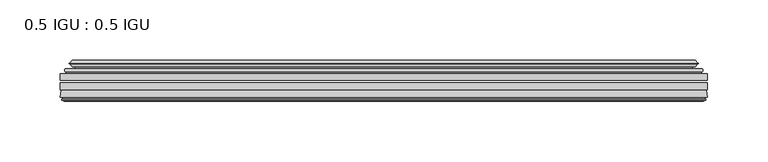
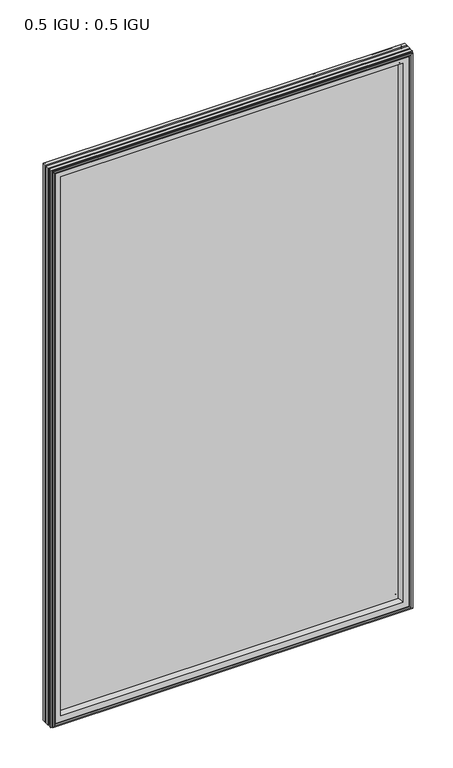
"""IFC4 building model written with IfcOpenShell, lengths in millimetres: plate geometry, 0.5 IGU : 0.5 IGU."""

from ifc_helpers import new_model, si_unit, frame, origin, place, context, project, spatial, polyline, ellipse_curve, outline, extrude, source, transform, mapped, element, save
from ifc_brep_helpers import plane_surface, cylinder_surface, revolved_surface, advanced_brep


def plate_0_5_igu_0_5_igu_e54527a9(model_context):
    return source(origin(), model_context, "Body", "SolidModel", [
        extrude(outline(polyline([(268.2858, -55.82285), (268.2858, -61.48705), (-268.271625, -61.48705), (-268.271625, -55.82285), (268.2858, -55.82285)])), frame((0.0, 0.0, -14.2875), z_axis=(0.0, 0.0, 1.0), x_axis=(1.0, 0.0, 0.0)), (0.0, 0.0, 1.0), 873.1287979),
        extrude(outline(polyline([(-268.271625, -69.05625), (-268.271625, -63.39205), (268.2858, -63.39205), (268.2858, -69.05625), (-268.271625, -69.05625)])), frame((0.0, 0.0, -14.2875), z_axis=(0.0, 0.0, 1.0), x_axis=(1.0, 0.0, 0.0)), (0.0, 0.0, 1.0), 873.1287979),
        advanced_brep(
        [(-264.1690876, -54.3724927, 854.7349626), (-263.1245628, -51.60645, 853.6904378), (-263.1245628, -51.60645, -9.1404378), (-264.1690876, -54.3724927, -10.1849626), (-262.532642, -55.82285, 853.098517), (-262.532642, -55.82285, -8.548517), (-253.984125, -45.63745, 844.55), (-250.4014011, -55.82285, 840.9672761), (-250.4014011, -55.82285, 3.5827239), (-253.984125, -45.63745, 0.0), (-259.1700359, -46.8185491, 849.7359109), (-259.1700359, -46.8185491, -5.1859109), (-258.3730143, -44.8183085, 848.9388893), (-258.3730143, -44.8183085, -4.3888893), (-260.6567361, -47.135817, 851.2226111), (-260.6567361, -47.135817, -6.6726111), (-260.6567361, -47.8489429, 851.2226111), (-260.6567361, -47.8489429, -6.6726111), (-258.3730143, -50.1664515, 848.9388893), (-258.3730143, -50.1664515, -4.3888893), (-259.1623751, -48.1854367, 849.7282501), (-259.1623751, -48.1854367, -5.1782501), (-256.6385629, -48.027045, 847.2044379), (-256.6385629, -48.027045, -2.6544379), (-255.6127467, -48.7147544, 846.1786217), (-255.6127467, -48.7147544, -1.6286217), (-255.7311538, -50.1092231, 846.2970288), (-255.7311538, -50.1092231, -1.7470288), (-256.3328998, -51.60645, 846.8987748), (-256.3328998, -51.60645, -2.3487748), (263.1245628, -51.60645, -9.1404378), (264.1690876, -54.3724927, -10.1849626), (262.532642, -55.82285, -8.548517), (250.4014011, -55.82285, 3.5827239), (253.984125, -45.63745, 0.0), (259.1700359, -46.8185491, -5.1859109), (258.3730143, -44.8183085, -4.3888893), (260.6567361, -47.135817, -6.6726111), (260.6567361, -47.8489429, -6.6726111), (258.3730143, -50.1664515, -4.3888893), (259.1623751, -48.1854367, -5.1782501), (256.6385629, -48.027045, -2.6544379), (255.6127467, -48.7147544, -1.6286217), (255.7311538, -50.1092231, -1.7470288), (256.3328998, -51.60645, -2.3487748), (263.1245628, -51.60645, 853.6904378), (264.1690876, -54.3724927, 854.7349626), (262.532642, -55.82285, 853.098517), (250.4014011, -55.82285, 840.9672761), (253.984125, -45.63745, 844.55), (259.1700359, -46.8185491, 849.7359109), (258.3730143, -44.8183085, 848.9388893), (260.6567361, -47.135817, 851.2226111), (260.6567361, -47.8489429, 851.2226111), (258.3730143, -50.1664515, 848.9388893), (259.1623751, -48.1854367, 849.7282501), (256.6385629, -48.027045, 847.2044379), (255.6127467, -48.7147544, 846.1786217), (255.7311538, -50.1092231, 846.2970288), (256.3328998, -51.60645, 846.8987748)],
        [
            (0, 1, ellipse_curve(frame((-263.1161953, -53.1898501, 853.6820703), z_axis=(-0.7071067811865475, 0.0, -0.7071067811865475), x_axis=(-0.7071067811865474, 0.0, 0.7071067811865476)), 2.2392971, 1.5834222)),
            (1, 2),
            (2, 3, ellipse_curve(frame((-263.1161953, -53.1898501, -9.1320703), z_axis=(-0.7071067811865475, 0.0, 0.7071067811865475), x_axis=(0.7071067811865474, 0.0, 0.7071067811865476)), 2.2392971, 1.5834222)),
            (3, 0),
            (4, 0),
            (3, 5),
            (5, 4),
            (6, 7, ellipse_curve(frame((-221.704371, -40.0058297, 812.270246), z_axis=(0.7071067811865475, 0.0, 0.7071067811865475), x_axis=(0.7071067811865474, 0.0, -0.7071067811865476)), 46.3399971, 32.7673262)),
            (7, 8),
            (8, 9, ellipse_curve(frame((-221.704371, -40.0058297, 32.279754), z_axis=(0.7071067811865475, 0.0, -0.7071067811865475), x_axis=(-0.7071067811865474, 0.0, -0.7071067811865476)), 46.3399971, 32.7673262)),
            (9, 6),
            (10, 6),
            (9, 11),
            (11, 10),
            (12, 10),
            (11, 13),
            (13, 12),
            (14, 12),
            (13, 15),
            (15, 14),
            (16, 14, ellipse_curve(frame((-260.2948979, -47.49238, 850.8607729), z_axis=(-0.7071067811865475, 0.0, -0.7071067811865475), x_axis=(-0.7071067811865474, 0.0, 0.7071067811865476)), 0.7184205, 0.508)),
            (15, 17, ellipse_curve(frame((-260.2948979, -47.49238, -6.3107729), z_axis=(-0.7071067811865475, 0.0, 0.7071067811865475), x_axis=(0.7071067811865474, 0.0, 0.7071067811865476)), 0.7184205, 0.508)),
            (17, 16),
            (18, 16),
            (17, 19),
            (19, 18),
            (20, 18),
            (19, 21),
            (21, 20),
            (22, 20),
            (21, 23),
            (23, 22),
            (24, 22, ellipse_curve(frame((-256.574925, -49.04105, 847.1408), z_axis=(0.7071067811865475, 0.0, 0.7071067811865475), x_axis=(0.7071067811865474, 0.0, -0.7071067811865476)), 1.436841, 1.016)),
            (23, 25, ellipse_curve(frame((-256.574925, -49.04105, -2.5908), z_axis=(0.7071067811865475, 0.0, -0.7071067811865475), x_axis=(-0.7071067811865474, 0.0, -0.7071067811865476)), 1.436841, 1.016)),
            (25, 24),
            (26, 24, ellipse_curve(frame((-257.946525, -49.21885, 848.5124), z_axis=(0.7071067811865475, 0.0, 0.7071067811865475), x_axis=(0.7071067811865474, 0.0, -0.7071067811865476)), 3.3765763, 2.3876)),
            (25, 27, ellipse_curve(frame((-257.946525, -49.21885, -3.9624), z_axis=(0.7071067811865475, 0.0, -0.7071067811865475), x_axis=(-0.7071067811865474, 0.0, -0.7071067811865476)), 3.3765763, 2.3876)),
            (27, 26),
            (28, 26),
            (27, 29),
            (29, 28),
            (2, 30),
            (30, 31, ellipse_curve(frame((263.1161953, -53.1898501, -9.1320703), z_axis=(-0.7071067811865475, 0.0, -0.7071067811865475), x_axis=(-0.7071067811865476, 0.0, 0.7071067811865474)), 2.2392971, 1.5834222)),
            (31, 3),
            (31, 32),
            (32, 5),
            (8, 33),
            (33, 34, ellipse_curve(frame((221.704371, -40.0058297, 32.279754), z_axis=(0.7071067811865475, 0.0, 0.7071067811865475), x_axis=(0.7071067811865476, 0.0, -0.7071067811865474)), 46.3399971, 32.7673262)),
            (34, 9),
            (34, 35),
            (35, 11),
            (35, 36),
            (36, 13),
            (36, 37),
            (37, 15),
            (37, 38, ellipse_curve(frame((260.2948979, -47.49238, -6.3107729), z_axis=(-0.7071067811865475, 0.0, -0.7071067811865475), x_axis=(-0.7071067811865476, 0.0, 0.7071067811865474)), 0.7184205, 0.508)),
            (38, 17),
            (38, 39),
            (39, 19),
            (39, 40),
            (40, 21),
            (40, 41),
            (41, 23),
            (41, 42, ellipse_curve(frame((256.574925, -49.04105, -2.5908), z_axis=(0.7071067811865475, 0.0, 0.7071067811865475), x_axis=(0.7071067811865476, 0.0, -0.7071067811865474)), 1.436841, 1.016)),
            (42, 25),
            (42, 43, ellipse_curve(frame((257.946525, -49.21885, -3.9624), z_axis=(0.7071067811865475, 0.0, 0.7071067811865475), x_axis=(0.7071067811865476, 0.0, -0.7071067811865474)), 3.3765763, 2.3876)),
            (43, 27),
            (43, 44),
            (44, 29),
            (30, 45),
            (45, 46, ellipse_curve(frame((263.1161953, -53.1898501, 853.6820703), z_axis=(0.7071067811865475, 0.0, -0.7071067811865475), x_axis=(-0.7071067811865474, 0.0, -0.7071067811865476)), 2.2392971, 1.5834222)),
            (46, 31),
            (46, 47),
            (47, 32),
            (33, 48),
            (48, 49, ellipse_curve(frame((221.704371, -40.0058297, 812.270246), z_axis=(-0.7071067811865475, 0.0, 0.7071067811865475), x_axis=(0.7071067811865474, 0.0, 0.7071067811865476)), 46.3399971, 32.7673262)),
            (49, 34),
            (49, 50),
            (50, 35),
            (50, 51),
            (51, 36),
            (51, 52),
            (52, 37),
            (52, 53, ellipse_curve(frame((260.2948979, -47.49238, 850.8607729), z_axis=(0.7071067811865475, 0.0, -0.7071067811865475), x_axis=(-0.7071067811865474, 0.0, -0.7071067811865476)), 0.7184205, 0.508)),
            (53, 38),
            (53, 54),
            (54, 39),
            (54, 55),
            (55, 40),
            (55, 56),
            (56, 41),
            (56, 57, ellipse_curve(frame((256.574925, -49.04105, 847.1408), z_axis=(-0.7071067811865475, 0.0, 0.7071067811865475), x_axis=(0.7071067811865474, 0.0, 0.7071067811865476)), 1.436841, 1.016)),
            (57, 42),
            (57, 58, ellipse_curve(frame((257.946525, -49.21885, 848.5124), z_axis=(-0.7071067811865475, 0.0, 0.7071067811865475), x_axis=(0.7071067811865474, 0.0, 0.7071067811865476)), 3.3765763, 2.3876)),
            (58, 43),
            (58, 59),
            (59, 44),
            (45, 1),
            (0, 46),
            (4, 47),
            (7, 48),
            (6, 49),
            (10, 50),
            (12, 51),
            (14, 52),
            (16, 53),
            (18, 54),
            (20, 55),
            (22, 56),
            (24, 57),
            (26, 58),
            (28, 59),
        ],
        [
            cylinder_surface(frame((-263.1161953, -53.1898501, 876.3), z_axis=(0.0, 0.0, 1.0), x_axis=(-1.0, 0.0, 0.0)), 1.5834222),
            plane_surface(frame((-264.1690876, -54.3724927, 854.7349626), z_axis=(-0.6632745773184306, -0.7483761320907135, 0.0), x_axis=(0.0, 0.0, -1.0))),
            revolved_surface(polyline([(-254.4716972, -40.0058297, -0.48757218957496207), (-254.4716972, -40.0058297, 845.037572189575)]), (-221.704371, -40.0058297, 876.3), (0.0, 0.0, -1.0)),
            plane_surface(frame((-253.984125, -45.63745, 844.55), z_axis=(-0.2220649844278743, 0.975031867525902, 0.0), x_axis=(0.0, 0.0, -1.0))),
            plane_surface(frame((-259.1700359, -46.8185491, 849.7359109), z_axis=(0.9289682685630282, -0.370159365683228, 0.0), x_axis=(0.0, 0.0, -1.0))),
            plane_surface(frame((-258.3730143, -44.8183085, 848.9388893), z_axis=(-0.7122798501733507, 0.7018955869907071, 0.0), x_axis=(0.0, 0.0, -1.0))),
            cylinder_surface(frame((-260.2948979, -47.49238, 876.3), z_axis=(0.0, 0.0, 1.0), x_axis=(-1.0, 0.0, 0.0)), 0.508),
            plane_surface(frame((-260.6567361, -47.8489429, 851.2226111), z_axis=(-0.7122798501732925, -0.701895586990766, 0.0), x_axis=(0.0, 0.0, -1.0))),
            plane_surface(frame((-258.3730143, -50.1664515, 848.9388893), z_axis=(0.9289682685628707, 0.3701593656836228, 0.0), x_axis=(0.0, 0.0, -1.0))),
            plane_surface(frame((-259.1623751, -48.1854367, 849.7282501), z_axis=(0.0626357011928498, -0.9980364567169279, 0.0), x_axis=(0.0, 0.0, -1.0))),
            revolved_surface(polyline([(-257.590925, -49.04105, -3.606800014586838), (-257.590925, -49.04105, 848.1568000145869)]), (-256.574925, -49.04105, 876.3), (0.0, 0.0, -1.0)),
            revolved_surface(polyline([(-260.33412500000003, -49.21885, -6.3499999989237494), (-260.33412500000003, -49.21885, 850.8999999989237)]), (-257.946525, -49.21885, 876.3), (0.0, 0.0, -1.0)),
            plane_surface(frame((-255.7311538, -50.1092231, 846.2970288), z_axis=(-0.9278652925428184, 0.3729155385532094, 0.0), x_axis=(0.0, 0.0, -1.0))),
            cylinder_surface(frame((-285.734125, -53.1898501, -9.1320703), z_axis=(-1.0, 0.0, 0.0), x_axis=(0.0, 0.0, -1.0)), 1.5834222),
            plane_surface(frame((-264.1690876, -54.3724927, -10.1849626), z_axis=(0.0, -0.7483761320907157, -0.6632745773184283), x_axis=(1.0, 0.0, 0.0))),
            revolved_surface(polyline([(254.47169718957497, -40.0058297, -0.48757220000000245), (-254.47169718957494, -40.0058297, -0.48757220000000245)]), (-285.734125, -40.0058297, 32.279754), (1.0, 0.0, 0.0)),
            plane_surface(frame((-253.984125, -45.63745, 0.0), z_axis=(0.0, 0.9750318675259013, -0.22206498442787745), x_axis=(1.0, 0.0, 0.0))),
            plane_surface(frame((-259.1700359, -46.8185491, -5.1859109), z_axis=(0.0, -0.370159365683225, 0.9289682685630294), x_axis=(1.0, 0.0, 0.0))),
            plane_surface(frame((-258.3730143, -44.8183085, -4.3888893), z_axis=(0.0, 0.7018955869907048, -0.7122798501733529), x_axis=(1.0, 0.0, 0.0))),
            cylinder_surface(frame((-285.734125, -47.49238, -6.3107729), z_axis=(-1.0, 0.0, 0.0), x_axis=(0.0, 0.0, -1.0)), 0.508),
            plane_surface(frame((-260.6567361, -47.8489429, -6.6726111), z_axis=(0.0, -0.7018955869907684, -0.7122798501732903), x_axis=(1.0, 0.0, 0.0))),
            plane_surface(frame((-258.3730143, -50.1664515, -4.3888893), z_axis=(0.0, 0.37015936568362584, 0.9289682685628696), x_axis=(1.0, 0.0, 0.0))),
            plane_surface(frame((-259.1623751, -48.1854367, -5.1782501), z_axis=(0.0, -0.9980364567169276, 0.06263570119285301), x_axis=(1.0, 0.0, 0.0))),
            revolved_surface(polyline([(257.59092501458696, -49.04105, -3.6068000000000002), (-257.59092501458684, -49.04105, -3.6068000000000002)]), (-285.734125, -49.04105, -2.5908), (1.0, 0.0, 0.0)),
            revolved_surface(polyline([(260.33412499892376, -49.21885, -6.35), (-260.3341249989238, -49.21885, -6.35)]), (-285.734125, -49.21885, -3.9624), (1.0, 0.0, 0.0)),
            plane_surface(frame((-255.7311538, -50.1092231, -1.7470288), z_axis=(0.0, 0.3729155385532064, -0.9278652925428196), x_axis=(1.0, 0.0, 0.0))),
            cylinder_surface(frame((263.1161953, -53.1898501, -31.75), z_axis=(0.0, 0.0, -1.0), x_axis=(1.0, 0.0, 0.0)), 1.5834222),
            plane_surface(frame((264.1690876, -54.3724927, -10.1849626), z_axis=(0.6632745773184259, -0.7483761320907178, 0.0), x_axis=(0.0, 0.0, 1.0))),
            revolved_surface(polyline([(254.4716972, -40.0058297, 845.037572189575), (254.4716972, -40.0058297, -0.48757218957494075)]), (221.704371, -40.0058297, -31.75), (0.0, 0.0, 1.0)),
            plane_surface(frame((253.984125, -45.63745, 0.0), z_axis=(0.22206498442788056, 0.9750318675259005, 0.0), x_axis=(0.0, 0.0, 1.0))),
            plane_surface(frame((259.1700359, -46.8185491, -5.1859109), z_axis=(-0.9289682685630306, -0.370159365683222, 0.0), x_axis=(0.0, 0.0, 1.0))),
            plane_surface(frame((258.3730143, -44.8183085, -4.3888893), z_axis=(0.7122798501733552, 0.7018955869907024, 0.0), x_axis=(0.0, 0.0, 1.0))),
            cylinder_surface(frame((260.2948979, -47.49238, -31.75), z_axis=(0.0, 0.0, -1.0), x_axis=(1.0, 0.0, 0.0)), 0.508),
            plane_surface(frame((260.6567361, -47.8489429, -6.6726111), z_axis=(0.712279850173288, -0.7018955869907706, 0.0), x_axis=(0.0, 0.0, 1.0))),
            plane_surface(frame((258.3730143, -50.1664515, -4.3888893), z_axis=(-0.9289682685628684, 0.37015936568362884, 0.0), x_axis=(0.0, 0.0, 1.0))),
            plane_surface(frame((259.1623751, -48.1854367, -5.1782501), z_axis=(-0.06263570119285623, -0.9980364567169274, 0.0), x_axis=(0.0, 0.0, 1.0))),
            revolved_surface(polyline([(257.590925, -49.04105, 848.1568000145869), (257.590925, -49.04105, -3.606800014586863)]), (256.574925, -49.04105, -31.75), (0.0, 0.0, 1.0)),
            revolved_surface(polyline([(260.33412500000003, -49.21885, 850.8999999989237), (260.33412500000003, -49.21885, -6.349999998923781)]), (257.946525, -49.21885, -31.75), (0.0, 0.0, 1.0)),
            plane_surface(frame((255.7311538, -50.1092231, -1.7470288), z_axis=(0.9278652925428208, 0.3729155385532034, 0.0), x_axis=(0.0, 0.0, 1.0))),
            cylinder_surface(frame((285.734125, -53.1898501, 853.6820703), z_axis=(1.0, 0.0, 0.0), x_axis=(0.0, 0.0, 1.0)), 1.5834222),
            plane_surface(frame((264.1690876, -54.3724927, 854.7349626), z_axis=(0.0, -0.7483761320907157, 0.6632745773184283), x_axis=(-1.0, 0.0, 0.0))),
            plane_surface(frame((262.532642, -55.82285, 853.098517), z_axis=(0.0, -1.0, 0.0), x_axis=(-1.0, 0.0, 0.0))),
            revolved_surface(polyline([(-254.47169718957497, -40.0058297, 845.0375722), (254.47169718957494, -40.0058297, 845.0375722)]), (285.734125, -40.0058297, 812.270246), (-1.0, 0.0, 0.0)),
            plane_surface(frame((253.984125, -45.63745, 844.55), z_axis=(0.0, 0.9750318675259012, 0.22206498442787742), x_axis=(-1.0, 0.0, 0.0))),
            plane_surface(frame((259.1700359, -46.8185491, 849.7359109), z_axis=(0.0, -0.370159365683225, -0.9289682685630294), x_axis=(-1.0, 0.0, 0.0))),
            plane_surface(frame((258.3730143, -44.8183085, 848.9388893), z_axis=(0.0, 0.7018955869907048, 0.7122798501733529), x_axis=(-1.0, 0.0, 0.0))),
            cylinder_surface(frame((285.734125, -47.49238, 850.8607729), z_axis=(1.0, 0.0, 0.0), x_axis=(0.0, 0.0, 1.0)), 0.508),
            plane_surface(frame((260.6567361, -47.8489429, 851.2226111), z_axis=(0.0, -0.7018955869907684, 0.7122798501732903), x_axis=(-1.0, 0.0, 0.0))),
            plane_surface(frame((258.3730143, -50.1664515, 848.9388893), z_axis=(0.0, 0.37015936568362584, -0.9289682685628696), x_axis=(-1.0, 0.0, 0.0))),
            plane_surface(frame((259.1623751, -48.1854367, 849.7282501), z_axis=(0.0, -0.9980364567169276, -0.06263570119285301), x_axis=(-1.0, 0.0, 0.0))),
            revolved_surface(polyline([(-257.59092501458696, -49.04105, 848.1568), (257.59092501458684, -49.04105, 848.1568)]), (285.734125, -49.04105, 847.1408), (-1.0, 0.0, 0.0)),
            revolved_surface(polyline([(-260.33412499892376, -49.21885, 850.9), (260.3341249989238, -49.21885, 850.9)]), (285.734125, -49.21885, 848.5124), (-1.0, 0.0, 0.0)),
            plane_surface(frame((255.7311538, -50.1092231, 846.2970288), z_axis=(0.0, 0.3729155385532064, 0.9278652925428196), x_axis=(-1.0, 0.0, 0.0))),
            plane_surface(frame((256.3328998, -51.60645, 846.8987748), z_axis=(0.0, 1.0, 0.0), x_axis=(-1.0, 0.0, 0.0))),
        ],
        [
            (0, [[1, 2, 3, 4]]),
            (1, [[5, -4, 6, 7]]),
            (2, [[8, 9, 10, 11]]),
            (3, [[12, -11, 13, 14]]),
            (4, [[15, -14, 16, 17]]),
            (5, [[18, -17, 19, 20]]),
            (6, [[21, -20, 22, 23]]),
            (7, [[24, -23, 25, 26]]),
            (8, [[27, -26, 28, 29]]),
            (9, [[30, -29, 31, 32]]),
            (10, [[33, -32, 34, 35]]),
            (11, [[36, -35, 37, 38]]),
            (12, [[39, -38, 40, 41]]),
            (13, [[-3, 42, 43, 44]]),
            (14, [[-6, -44, 45, 46]]),
            (15, [[-10, 47, 48, 49]]),
            (16, [[-13, -49, 50, 51]]),
            (17, [[-16, -51, 52, 53]]),
            (18, [[-19, -53, 54, 55]]),
            (19, [[-22, -55, 56, 57]]),
            (20, [[-25, -57, 58, 59]]),
            (21, [[-28, -59, 60, 61]]),
            (22, [[-31, -61, 62, 63]]),
            (23, [[-34, -63, 64, 65]]),
            (24, [[-37, -65, 66, 67]]),
            (25, [[-40, -67, 68, 69]]),
            (26, [[-43, 70, 71, 72]]),
            (27, [[-45, -72, 73, 74]]),
            (28, [[-48, 75, 76, 77]]),
            (29, [[-50, -77, 78, 79]]),
            (30, [[-52, -79, 80, 81]]),
            (31, [[-54, -81, 82, 83]]),
            (32, [[-56, -83, 84, 85]]),
            (33, [[-58, -85, 86, 87]]),
            (34, [[-60, -87, 88, 89]]),
            (35, [[-62, -89, 90, 91]]),
            (36, [[-64, -91, 92, 93]]),
            (37, [[-66, -93, 94, 95]]),
            (38, [[-68, -95, 96, 97]]),
            (39, [[-71, 98, -1, 99]]),
            (40, [[-73, -99, -5, 100]]),
            (41, [[-46, -74, -100, -7], [101, -75, -47, -9]]),
            (42, [[-76, -101, -8, 102]]),
            (43, [[-78, -102, -12, 103]]),
            (44, [[-80, -103, -15, 104]]),
            (45, [[-82, -104, -18, 105]]),
            (46, [[-84, -105, -21, 106]]),
            (47, [[-86, -106, -24, 107]]),
            (48, [[-88, -107, -27, 108]]),
            (49, [[-90, -108, -30, 109]]),
            (50, [[-92, -109, -33, 110]]),
            (51, [[-94, -110, -36, 111]]),
            (52, [[-96, -111, -39, 112]]),
            (53, [[-98, -70, -42, -2], [-69, -97, -112, -41]]),
        ],
    ),
        advanced_brep(
        [(-268.284325, -75.40625, 858.8502), (-267.5895412, -69.7476901, 858.1554162), (-267.5895412, -69.7476901, -13.6054162), (-268.284325, -75.40625, -14.3002), (-265.896725, -77.3973143, 856.4626), (-266.353925, -75.40625, 856.9198), (-266.353925, -75.40625, -12.3698), (-265.896725, -77.3973143, -11.9126), (-266.8980869, -77.1290001, 857.4639619), (-266.8980869, -77.1290001, -12.9139619), (-267.141325, -78.0367772, 857.7072), (-267.141325, -78.0367772, -13.1572), (-265.109325, -78.58125, 855.6752), (-265.109325, -78.58125, -11.1252), (-263.077325, -78.0367772, 853.6432), (-263.077325, -78.0367772, -9.0932), (-263.3205631, -77.1290001, 853.8864381), (-263.3205631, -77.1290001, -9.3364381), (-264.321925, -77.3973143, 854.8878), (-264.321925, -77.3973143, -10.3378), (-263.864725, -75.40625, 854.4306), (-263.864725, -75.40625, -9.8806), (-250.3946619, -69.05625, 840.9605369), (-253.984125, -75.40625, 844.55), (-253.984125, -75.40625, 0.0), (-250.3946619, -69.05625, 3.5894631), (-266.8080104, -69.05625, 857.3738854), (-266.8080104, -69.05625, -12.8238854), (267.5895412, -69.7476901, -13.6054162), (268.284325, -75.40625, -14.3002), (266.353925, -75.40625, -12.3698), (265.896725, -77.3973143, -11.9126), (266.8980869, -77.1290001, -12.9139619), (267.141325, -78.0367772, -13.1572), (265.109325, -78.58125, -11.1252), (263.077325, -78.0367772, -9.0932), (263.3205631, -77.1290001, -9.3364381), (264.321925, -77.3973143, -10.3378), (263.864725, -75.40625, -9.8806), (253.984125, -75.40625, 0.0), (250.3946619, -69.05625, 3.5894631), (266.8080104, -69.05625, -12.8238854), (267.5895412, -69.7476901, 858.1554162), (268.284325, -75.40625, 858.8502), (266.353925, -75.40625, 856.9198), (265.896725, -77.3973143, 856.4626), (266.8980869, -77.1290001, 857.4639619), (267.141325, -78.0367772, 857.7072), (265.109325, -78.58125, 855.6752), (263.077325, -78.0367772, 853.6432), (263.3205631, -77.1290001, 853.8864381), (264.321925, -77.3973143, 854.8878), (263.864725, -75.40625, 854.4306), (253.984125, -75.40625, 844.55), (250.3946619, -69.05625, 840.9605369), (266.8080104, -69.05625, 857.3738854)],
        [
            (0, 1),
            (1, 2),
            (2, 3),
            (3, 0),
            (4, 5),
            (5, 6),
            (6, 7),
            (7, 4),
            (8, 4),
            (7, 9),
            (9, 8),
            (10, 8),
            (9, 11),
            (11, 10),
            (12, 10),
            (11, 13),
            (13, 12),
            (14, 12),
            (13, 15),
            (15, 14),
            (16, 14),
            (15, 17),
            (17, 16),
            (18, 16),
            (17, 19),
            (19, 18),
            (20, 18),
            (19, 21),
            (21, 20),
            (22, 23, ellipse_curve(frame((-245.5078364, -76.0081323, 836.0737114), z_axis=(0.7071067811865475, 0.0, 0.7071067811865475), x_axis=(0.7071067811865474, 0.0, -0.7071067811865476)), 12.0174649, 8.4976309)),
            (23, 24),
            (24, 25, ellipse_curve(frame((-245.5078364, -76.0081323, 8.4762886), z_axis=(0.7071067811865475, 0.0, -0.7071067811865475), x_axis=(-0.7071067811865474, 0.0, -0.7071067811865476)), 12.0174649, 8.4976309)),
            (25, 22),
            (1, 26, ellipse_curve(frame((-266.8080104, -69.84365, 857.3738854), z_axis=(-0.7071067811865475, 0.0, -0.7071067811865475), x_axis=(-0.7071067811865474, 0.0, 0.7071067811865476)), 1.1135518, 0.7874)),
            (26, 27),
            (27, 2, ellipse_curve(frame((-266.8080104, -69.84365, -12.8238854), z_axis=(-0.7071067811865475, 0.0, 0.7071067811865475), x_axis=(0.7071067811865474, 0.0, 0.7071067811865476)), 1.1135518, 0.7874)),
            (2, 28),
            (28, 29),
            (29, 3),
            (6, 30),
            (30, 31),
            (31, 7),
            (31, 32),
            (32, 9),
            (32, 33),
            (33, 11),
            (33, 34),
            (34, 13),
            (34, 35),
            (35, 15),
            (35, 36),
            (36, 17),
            (36, 37),
            (37, 19),
            (37, 38),
            (38, 21),
            (24, 39),
            (39, 40, ellipse_curve(frame((245.5078364, -76.0081323, 8.4762886), z_axis=(0.7071067811865475, 0.0, 0.7071067811865475), x_axis=(0.7071067811865476, 0.0, -0.7071067811865474)), 12.0174649, 8.4976309)),
            (40, 25),
            (27, 41),
            (41, 28, ellipse_curve(frame((266.8080104, -69.84365, -12.8238854), z_axis=(-0.7071067811865475, 0.0, -0.7071067811865475), x_axis=(-0.7071067811865476, 0.0, 0.7071067811865474)), 1.1135518, 0.7874)),
            (28, 42),
            (42, 43),
            (43, 29),
            (30, 44),
            (44, 45),
            (45, 31),
            (45, 46),
            (46, 32),
            (46, 47),
            (47, 33),
            (47, 48),
            (48, 34),
            (48, 49),
            (49, 35),
            (49, 50),
            (50, 36),
            (50, 51),
            (51, 37),
            (51, 52),
            (52, 38),
            (39, 53),
            (53, 54, ellipse_curve(frame((245.5078364, -76.0081323, 836.0737114), z_axis=(-0.7071067811865475, 0.0, 0.7071067811865475), x_axis=(0.7071067811865474, 0.0, 0.7071067811865476)), 12.0174649, 8.4976309)),
            (54, 40),
            (41, 55),
            (55, 42, ellipse_curve(frame((266.8080104, -69.84365, 857.3738854), z_axis=(0.7071067811865475, 0.0, -0.7071067811865475), x_axis=(-0.7071067811865474, 0.0, -0.7071067811865476)), 1.1135518, 0.7874)),
            (42, 1),
            (0, 43),
            (5, 44),
            (4, 45),
            (8, 46),
            (10, 47),
            (12, 48),
            (14, 49),
            (16, 50),
            (18, 51),
            (20, 52),
            (23, 53),
            (22, 54),
            (26, 55),
        ],
        [
            plane_surface(frame((-267.5895412, -69.7476901, 858.1554162), z_axis=(-0.992546151641325, 0.12186934340512405, 0.0), x_axis=(0.0, 0.0, -1.0))),
            plane_surface(frame((-266.353925, -75.40625, 856.9198), z_axis=(-0.9746347637895902, -0.22380142361658398, 0.0), x_axis=(0.0, 0.0, -1.0))),
            plane_surface(frame((-265.896725, -77.3973143, 856.4626), z_axis=(0.2588190451026526, 0.965925826289033, 0.0), x_axis=(0.0, 0.0, -1.0))),
            plane_surface(frame((-266.8980869, -77.1290001, 857.4639619), z_axis=(-0.9659258262890449, 0.2588190451026083, 0.0), x_axis=(0.0, 0.0, -1.0))),
            plane_surface(frame((-267.141325, -78.0367772, 857.7072), z_axis=(-0.2588190451024403, -0.96592582628909, 0.0), x_axis=(0.0, 0.0, -1.0))),
            plane_surface(frame((-265.109325, -78.58125, 855.6752), z_axis=(0.2588190451025434, -0.9659258262890623, 0.0), x_axis=(0.0, 0.0, -1.0))),
            plane_surface(frame((-263.077325, -78.0367772, 853.6432), z_axis=(0.9659258262891713, 0.25881904510213655, 0.0), x_axis=(0.0, 0.0, -1.0))),
            plane_surface(frame((-263.3205631, -77.1290001, 853.8864381), z_axis=(-0.25881904510234177, 0.9659258262891163, 0.0), x_axis=(0.0, 0.0, -1.0))),
            plane_surface(frame((-264.321925, -77.3973143, 854.8878), z_axis=(0.9746347637895849, -0.22380142361660743, 0.0), x_axis=(0.0, 0.0, -1.0))),
            revolved_surface(polyline([(-254.0054673, -76.0081323, -0.02134232346134013), (-254.0054673, -76.0081323, 844.5713423234613)]), (-245.5078364, -76.0081323, 876.3), (0.0, 0.0, -1.0)),
            cylinder_surface(frame((-266.8080104, -69.84365, 876.3), z_axis=(0.0, 0.0, 1.0), x_axis=(-1.0, 0.0, 0.0)), 0.7874),
            plane_surface(frame((-267.5895412, -69.7476901, -13.6054162), z_axis=(0.0, 0.12186934340512084, -0.9925461516413254), x_axis=(1.0, 0.0, 0.0))),
            plane_surface(frame((-266.353925, -75.40625, -12.3698), z_axis=(0.0, -0.22380142361658714, -0.9746347637895896), x_axis=(1.0, 0.0, 0.0))),
            plane_surface(frame((-265.896725, -77.3973143, -11.9126), z_axis=(0.0, 0.9659258262890339, 0.25881904510264947), x_axis=(1.0, 0.0, 0.0))),
            plane_surface(frame((-266.8980869, -77.1290001, -12.9139619), z_axis=(0.0, 0.25881904510260517, -0.9659258262890458), x_axis=(1.0, 0.0, 0.0))),
            plane_surface(frame((-267.141325, -78.0367772, -13.1572), z_axis=(0.0, -0.9659258262890907, -0.25881904510243714), x_axis=(1.0, 0.0, 0.0))),
            plane_surface(frame((-265.109325, -78.58125, -11.1252), z_axis=(0.0, -0.9659258262890614, 0.2588190451025465), x_axis=(1.0, 0.0, 0.0))),
            plane_surface(frame((-263.077325, -78.0367772, -9.0932), z_axis=(0.0, 0.25881904510213966, 0.9659258262891705), x_axis=(1.0, 0.0, 0.0))),
            plane_surface(frame((-263.3205631, -77.1290001, -9.3364381), z_axis=(0.0, 0.9659258262891154, -0.2588190451023449), x_axis=(1.0, 0.0, 0.0))),
            plane_surface(frame((-264.321925, -77.3973143, -10.3378), z_axis=(0.0, -0.2238014236166043, 0.9746347637895857), x_axis=(1.0, 0.0, 0.0))),
            revolved_surface(polyline([(254.00546732346135, -76.0081323, -0.02134230000000059), (-254.00546732346132, -76.0081323, -0.02134230000000059)]), (-285.734125, -76.0081323, 8.4762886), (1.0, 0.0, 0.0)),
            cylinder_surface(frame((-285.734125, -69.84365, -12.8238854), z_axis=(-1.0, 0.0, 0.0), x_axis=(0.0, 0.0, -1.0)), 0.7874),
            plane_surface(frame((267.5895412, -69.7476901, -13.6054162), z_axis=(0.9925461516413259, 0.12186934340511764, 0.0), x_axis=(0.0, 0.0, 1.0))),
            plane_surface(frame((266.353925, -75.40625, -12.3698), z_axis=(0.9746347637895888, -0.22380142361659028, 0.0), x_axis=(0.0, 0.0, 1.0))),
            plane_surface(frame((265.896725, -77.3973143, -11.9126), z_axis=(-0.25881904510264636, 0.9659258262890348, 0.0), x_axis=(0.0, 0.0, 1.0))),
            plane_surface(frame((266.8980869, -77.1290001, -12.9139619), z_axis=(0.9659258262890467, 0.25881904510260206, 0.0), x_axis=(0.0, 0.0, 1.0))),
            plane_surface(frame((267.141325, -78.0367772, -13.1572), z_axis=(0.25881904510243403, -0.9659258262890916, 0.0), x_axis=(0.0, 0.0, 1.0))),
            plane_surface(frame((265.109325, -78.58125, -11.1252), z_axis=(-0.25881904510254966, -0.9659258262890607, 0.0), x_axis=(0.0, 0.0, 1.0))),
            plane_surface(frame((263.077325, -78.0367772, -9.0932), z_axis=(-0.9659258262891696, 0.25881904510214276, 0.0), x_axis=(0.0, 0.0, 1.0))),
            plane_surface(frame((263.3205631, -77.1290001, -9.3364381), z_axis=(0.25881904510234804, 0.9659258262891146, 0.0), x_axis=(0.0, 0.0, 1.0))),
            plane_surface(frame((264.321925, -77.3973143, -10.3378), z_axis=(-0.9746347637895864, -0.22380142361660113, 0.0), x_axis=(0.0, 0.0, 1.0))),
            revolved_surface(polyline([(254.0054673, -76.0081323, 844.5713423234613), (254.0054673, -76.0081323, -0.021342323461311707)]), (245.5078364, -76.0081323, -31.75), (0.0, 0.0, 1.0)),
            cylinder_surface(frame((266.8080104, -69.84365, -31.75), z_axis=(0.0, 0.0, -1.0), x_axis=(1.0, 0.0, 0.0)), 0.7874),
            plane_surface(frame((267.5895412, -69.7476901, 858.1554162), z_axis=(0.0, 0.12186934340512084, 0.9925461516413254), x_axis=(-1.0, 0.0, 0.0))),
            plane_surface(frame((268.284325, -75.40625, 858.8502), z_axis=(0.0, -1.0, 0.0), x_axis=(-1.0, 0.0, 0.0))),
            plane_surface(frame((266.353925, -75.40625, 856.9198), z_axis=(0.0, -0.22380142361658714, 0.9746347637895896), x_axis=(-1.0, 0.0, 0.0))),
            plane_surface(frame((265.896725, -77.3973143, 856.4626), z_axis=(0.0, 0.9659258262890339, -0.25881904510264947), x_axis=(-1.0, 0.0, 0.0))),
            plane_surface(frame((266.8980869, -77.1290001, 857.4639619), z_axis=(0.0, 0.25881904510260517, 0.9659258262890458), x_axis=(-1.0, 0.0, 0.0))),
            plane_surface(frame((267.141325, -78.0367772, 857.7072), z_axis=(0.0, -0.9659258262890907, 0.25881904510243714), x_axis=(-1.0, 0.0, 0.0))),
            plane_surface(frame((265.109325, -78.58125, 855.6752), z_axis=(0.0, -0.9659258262890614, -0.25881904510254655), x_axis=(-1.0, 0.0, 0.0))),
            plane_surface(frame((263.077325, -78.0367772, 853.6432), z_axis=(0.0, 0.25881904510213966, -0.9659258262891705), x_axis=(-1.0, 0.0, 0.0))),
            plane_surface(frame((263.3205631, -77.1290001, 853.8864381), z_axis=(0.0, 0.9659258262891155, 0.25881904510234494), x_axis=(-1.0, 0.0, 0.0))),
            plane_surface(frame((264.321925, -77.3973143, 854.8878), z_axis=(0.0, -0.22380142361660427, -0.9746347637895856), x_axis=(-1.0, 0.0, 0.0))),
            plane_surface(frame((263.864725, -75.40625, 854.4306), z_axis=(0.0, -1.0, 0.0), x_axis=(-1.0, 0.0, 0.0))),
            revolved_surface(polyline([(-254.00546732346135, -76.0081323, 844.5713423), (254.00546732346132, -76.0081323, 844.5713423)]), (285.734125, -76.0081323, 836.0737114), (-1.0, 0.0, 0.0)),
            plane_surface(frame((250.3946619, -69.05625, 840.9605369), z_axis=(0.0, 1.0, 0.0), x_axis=(-1.0, 0.0, 0.0))),
            cylinder_surface(frame((285.734125, -69.84365, 857.3738854), z_axis=(1.0, 0.0, 0.0), x_axis=(0.0, 0.0, 1.0)), 0.7874),
        ],
        [
            (0, [[1, 2, 3, 4]]),
            (1, [[5, 6, 7, 8]]),
            (2, [[9, -8, 10, 11]]),
            (3, [[12, -11, 13, 14]]),
            (4, [[15, -14, 16, 17]]),
            (5, [[18, -17, 19, 20]]),
            (6, [[21, -20, 22, 23]]),
            (7, [[24, -23, 25, 26]]),
            (8, [[27, -26, 28, 29]]),
            (9, [[30, 31, 32, 33]]),
            (10, [[34, 35, 36, -2]]),
            (11, [[-3, 37, 38, 39]]),
            (12, [[-7, 40, 41, 42]]),
            (13, [[-10, -42, 43, 44]]),
            (14, [[-13, -44, 45, 46]]),
            (15, [[-16, -46, 47, 48]]),
            (16, [[-19, -48, 49, 50]]),
            (17, [[-22, -50, 51, 52]]),
            (18, [[-25, -52, 53, 54]]),
            (19, [[-28, -54, 55, 56]]),
            (20, [[-32, 57, 58, 59]]),
            (21, [[-36, 60, 61, -37]]),
            (22, [[-38, 62, 63, 64]]),
            (23, [[-41, 65, 66, 67]]),
            (24, [[-43, -67, 68, 69]]),
            (25, [[-45, -69, 70, 71]]),
            (26, [[-47, -71, 72, 73]]),
            (27, [[-49, -73, 74, 75]]),
            (28, [[-51, -75, 76, 77]]),
            (29, [[-53, -77, 78, 79]]),
            (30, [[-55, -79, 80, 81]]),
            (31, [[-58, 82, 83, 84]]),
            (32, [[-61, 85, 86, -62]]),
            (33, [[-63, 87, -1, 88]]),
            (34, [[-39, -64, -88, -4], [89, -65, -40, -6]]),
            (35, [[-66, -89, -5, 90]]),
            (36, [[-68, -90, -9, 91]]),
            (37, [[-70, -91, -12, 92]]),
            (38, [[-72, -92, -15, 93]]),
            (39, [[-74, -93, -18, 94]]),
            (40, [[-76, -94, -21, 95]]),
            (41, [[-78, -95, -24, 96]]),
            (42, [[-80, -96, -27, 97]]),
            (43, [[-56, -81, -97, -29], [98, -82, -57, -31]]),
            (44, [[-83, -98, -30, 99]]),
            (45, [[100, -85, -60, -35], [-59, -84, -99, -33]]),
            (46, [[-86, -100, -34, -87]]),
        ],
    ),
    ])


if __name__ == "__main__":
    model = new_model("IFC4")
    model_context = context("Model", 3, world=origin())
    ifc_project = project(units=[si_unit("LENGTHUNIT", "METRE", prefix="MILLI")], contexts=[model_context])
    site = spatial("IfcSite", under=ifc_project)
    building = spatial("IfcBuilding", under=site)
    placement = place(None, origin())
    plate_0_5_igu_0_5_igu_shape = plate_0_5_igu_0_5_igu_e54527a9(model_context)
    element("IfcPlate", 1, ObjectType="0.5 IGU : 0.5 IGU", at=placement, inside=building, context=model_context, shape_type="MappedRepresentation", body=[
        mapped(plate_0_5_igu_0_5_igu_shape, transform((0.0, 0.0, 0.0), x_axis=(1.0, 0.0, 0.0), y_axis=(0.0, 1.0, 0.0), z_axis=(0.0, 0.0, 1.0))),
    ])
    save(model, "model.ifc")
